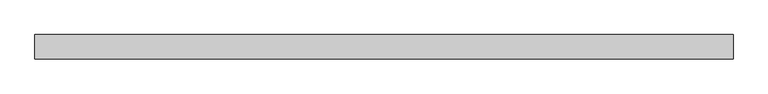
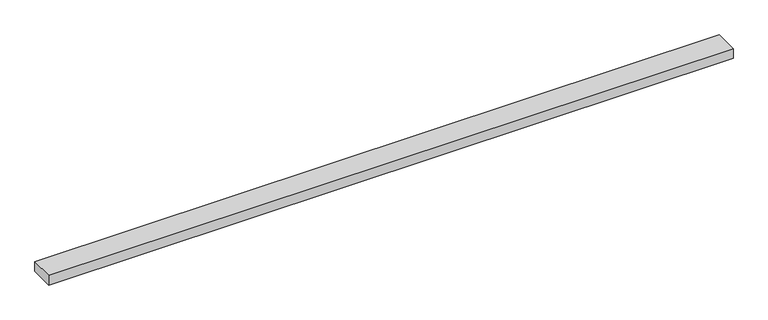
"""IFC4 building model written with IfcOpenShell, lengths in millimetres: beam geometry."""

from ifc_helpers import new_model, si_unit, frame, origin, place, context, project, spatial, polyline, outline, extrude, source, transform, mapped, element, save


def beam_f12a3bc3(model_context):
    return source(origin(), model_context, "Body", "SweptSolid", [
        extrude(outline(polyline([(721.6878365, 25.0), (721.6878365, -25.0), (-721.6878365, -25.0), (-721.6878365, 25.0), (721.6878365, 25.0)])), frame((0.0, 0.0, -11.0), z_axis=(0.0, 0.0, 1.0), x_axis=(1.0, 0.0, 0.0)), (0.0, 0.0, 1.0), 22.0),
    ])


if __name__ == "__main__":
    model = new_model("IFC4")
    model_context = context("Model", 3, world=origin())
    ifc_project = project(units=[si_unit("LENGTHUNIT", "METRE", prefix="MILLI")], contexts=[model_context])
    site = spatial("IfcSite", under=ifc_project)
    building = spatial("IfcBuilding", under=site)
    placement = place(None, origin())
    beam_shape = beam_f12a3bc3(model_context)
    element("IfcBeam", 1, at=placement, inside=building, context=model_context, shape_type="MappedRepresentation", body=[
        mapped(beam_shape, transform((0.0, 0.0, 0.0), x_axis=(1.0, 0.0, 0.0), y_axis=(0.0, 1.0, 0.0), z_axis=(0.0, 0.0, 1.0))),
    ])
    save(model, "model.ifc")
